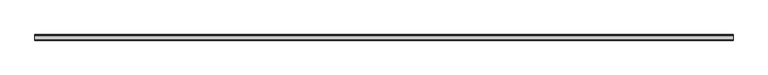
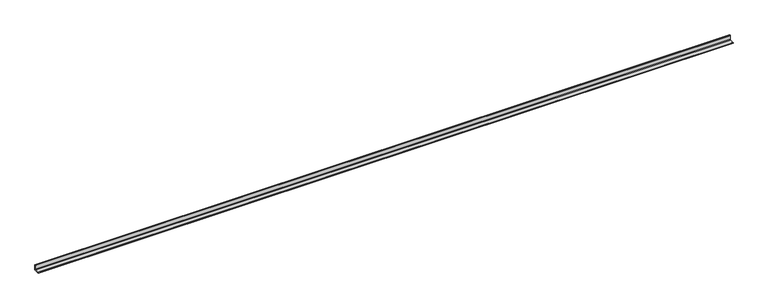
"""IFC4 building model written with IfcOpenShell, lengths in millimetres: beam geometry."""

from ifc_helpers import new_model, si_unit, point, frame, frame_2d, origin, place, context, project, spatial, polyline, circle_curve, trimmed, segment, composite_curve, outline, extrude, source, transform, mapped, element, save


def beam_7445c192(model_context):
    return source(origin(), model_context, "Body", "SweptSolid", [
        extrude(outline(composite_curve([segment(polyline([(21.3, -21.3), (-53.7, -21.3), (-53.7, -18.3)]), True, "CONTINUOUS"), segment(trimmed(circle_curve(frame_2d((-48.7, -18.3)), 5.0), [point((-53.7, -18.3))], [point((-48.7, -13.3))], False, "CARTESIAN"), True, "CONTINUOUS"), segment(polyline([(-48.7, -13.3), (5.3, -13.3)]), True, "CONTINUOUS"), segment(trimmed(circle_curve(frame_2d((5.3, -5.3)), 8.0), [point((5.3, -13.3))], [point((13.3, -5.3))], True, "CARTESIAN"), True, "CONTINUOUS"), segment(polyline([(13.3, -5.3), (13.3, 48.7)]), True, "CONTINUOUS"), segment(trimmed(circle_curve(frame_2d((18.3, 48.7)), 5.0), [point((13.3, 48.7))], [point((18.3, 53.7))], False, "CARTESIAN"), True, "CONTINUOUS"), segment(polyline([(18.3, 53.7), (21.3, 53.7), (21.3, -21.3)]), True, "CONTINUOUS")], self_intersect=False)), frame((-4598.0, 0.0, 0.0), z_axis=(1.0, 0.0, 0.0), x_axis=(0.0, 1.0, 0.0)), (0.0, 0.0, 1.0), 9315.0),
    ])


if __name__ == "__main__":
    model = new_model("IFC4")
    model_context = context("Model", 3, world=origin())
    ifc_project = project(units=[si_unit("LENGTHUNIT", "METRE", prefix="MILLI")], contexts=[model_context])
    site = spatial("IfcSite", under=ifc_project)
    building = spatial("IfcBuilding", under=site)
    placement = place(None, origin())
    beam_shape = beam_7445c192(model_context)
    element("IfcBeam", 1, at=placement, inside=building, context=model_context, shape_type="MappedRepresentation", body=[
        mapped(beam_shape, transform((0.0, 0.0, 0.0), x_axis=(1.0, 0.0, 0.0), y_axis=(0.0, 1.0, 0.0), z_axis=(0.0, 0.0, 1.0))),
    ])
    save(model, "model.ifc")
